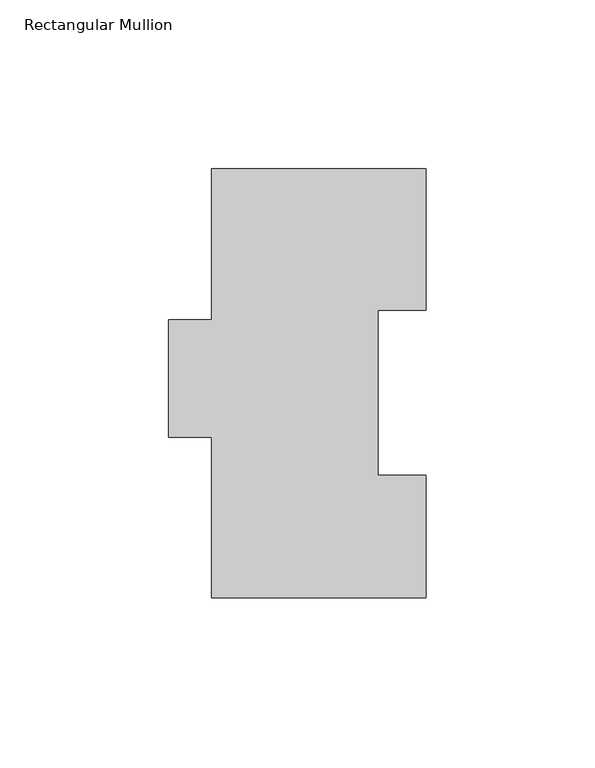
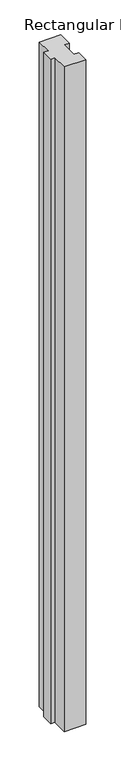
"""IFC4 building model written with IfcOpenShell, lengths in millimetres: member geometry, Rectangular Mullion."""

from ifc_helpers import new_model, si_unit, frame, origin, place, context, project, spatial, polyline, outline, extrude, source, transform, mapped, element, save


def rectangular_mullion_146ba164(model_context):
    return source(origin(), model_context, "Body", "SweptSolid", [
        extrude(outline(polyline([(31.75, 126.79045), (31.75, 84.93125), (17.4625, 84.93125), (17.4625, 36.11245), (31.75, 36.11245), (31.75, -0.20955), (-31.75, -0.20955), (-31.75, 47.41545), (-44.45, 47.41545), (-44.45, 82.08645), (-31.75, 82.08645), (-31.75, 126.79045), (31.75, 126.79045)])), frame((0.0, 0.0, -2060.575), z_axis=(0.0, 0.0, 1.0), x_axis=(1.0, 0.0, 0.0)), (0.0, 0.0, 1.0), 2060.575),
    ])


if __name__ == "__main__":
    model = new_model("IFC4")
    model_context = context("Model", 3, world=origin())
    ifc_project = project(units=[si_unit("LENGTHUNIT", "METRE", prefix="MILLI")], contexts=[model_context])
    site = spatial("IfcSite", under=ifc_project)
    building = spatial("IfcBuilding", under=site)
    placement = place(None, origin())
    rectangular_mullion_shape = rectangular_mullion_146ba164(model_context)
    element("IfcMember", 1, ObjectType="Rectangular Mullion", at=placement, inside=building, context=model_context, shape_type="MappedRepresentation", body=[
        mapped(rectangular_mullion_shape, transform((0.0, 0.0, 0.0), x_axis=(1.0, 0.0, 0.0), y_axis=(0.0, 1.0, 0.0), z_axis=(0.0, 0.0, 1.0))),
    ])
    save(model, "model.ifc")
